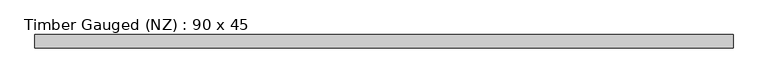
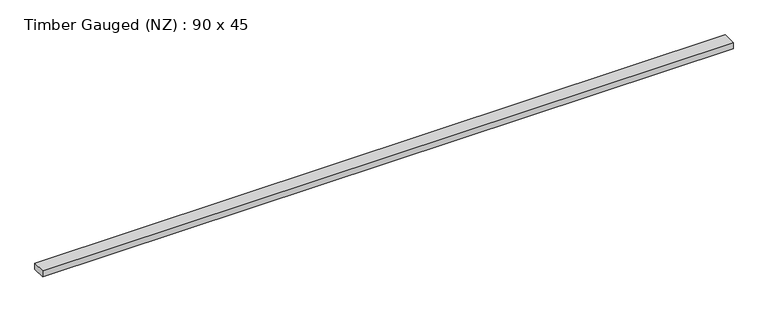
"""IFC4 building model written with IfcOpenShell, lengths in millimetres: beam geometry, Timber Gauged (NZ) : 90 x 45."""

from ifc_helpers import new_model, si_unit, frame, origin, place, context, project, spatial, polyline, outline, extrude, source, transform, mapped, element, save


def timber_gauged_nz_90_x_45_b5b7cf38(model_context):
    return source(origin(), model_context, "Body", "SweptSolid", [
        extrude(outline(polyline([(2335.2717693, 45.0), (2335.2717693, -45.0), (-2335.2717693, -45.0), (-2335.2717693, 45.0), (2335.2717693, 45.0)])), frame((0.0, 0.0, -22.5), z_axis=(0.0, 0.0, 1.0), x_axis=(1.0, 0.0, 0.0)), (0.0, 0.0, 1.0), 45.0),
    ])


if __name__ == "__main__":
    model = new_model("IFC4")
    model_context = context("Model", 3, world=origin())
    ifc_project = project(units=[si_unit("LENGTHUNIT", "METRE", prefix="MILLI")], contexts=[model_context])
    site = spatial("IfcSite", under=ifc_project)
    building = spatial("IfcBuilding", under=site)
    placement = place(None, origin())
    timber_gauged_nz_90_x_45_shape = timber_gauged_nz_90_x_45_b5b7cf38(model_context)
    element("IfcBeam", 1, ObjectType="Timber Gauged (NZ) : 90 x 45", at=placement, inside=building, context=model_context, shape_type="MappedRepresentation", body=[
        mapped(timber_gauged_nz_90_x_45_shape, transform((0.0, 0.0, 0.0), x_axis=(1.0, 0.0, 0.0), y_axis=(0.0, 1.0, 0.0), z_axis=(0.0, 0.0, 1.0))),
    ])
    save(model, "model.ifc")
